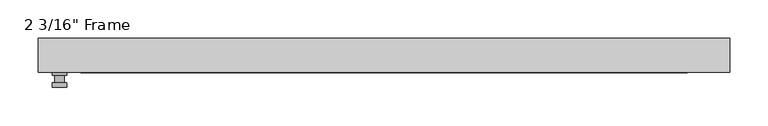
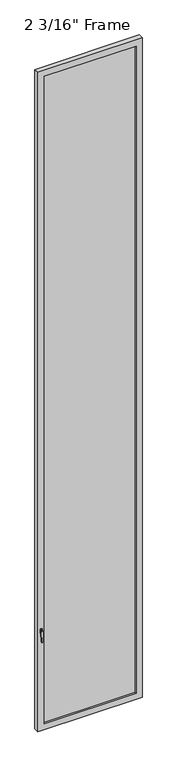
"""IFC4 building model written with IfcOpenShell, lengths in millimetres: plate geometry."""

from ifc_helpers import new_model, si_unit, frame, origin, place, context, project, spatial, polyline, circle_curve, outline, extrude, faceted_brep, source, transform, mapped, element, save
from ifc_brep_helpers import plane_surface, cylinder_surface, advanced_brep


def plate_7c97e8f9(model_context):
    return source(origin(), model_context, "Body", "SolidModel", [
        advanced_brep(
        [(-415.13125, -22.225, 927.1), (-415.13125, -22.225, 901.7), (-434.18125, -22.225, 901.7), (-434.18125, -22.225, 927.1), (-418.30625, -34.925, 914.4), (-431.00625, -34.925, 914.4), (-431.00625, -25.4, 914.4), (-418.30625, -25.4, 914.4), (-415.13125, -34.925, 914.4), (-418.3102856, -34.925, 825.2736467), (-431.0022144, -34.925, 825.2736467), (-434.18125, -34.925, 914.4), (-415.13125, -41.275, 914.4), (-434.18125, -41.275, 914.4), (-431.0022144, -41.275, 825.2736467), (-418.3102856, -41.275, 825.2736467), (-415.13125, -25.4, 927.1), (-434.18125, -25.4, 927.1), (-434.18125, -25.4, 901.7), (-415.13125, -25.4, 901.7)],
        [
            (0, 1),
            (1, 2, circle_curve(frame((-424.65625, -22.225, 901.7), z_axis=(0.0, 1.0, 0.0), x_axis=(-1.0, 0.0, 0.0)), 9.525)),
            (2, 3),
            (3, 0, circle_curve(frame((-424.65625, -22.225, 927.1), z_axis=(0.0, 1.0, 0.0), x_axis=(-1.0, 0.0, 0.0)), 9.525)),
            (4, 5, circle_curve(frame((-424.65625, -34.925, 914.4), z_axis=(0.0, 1.0, 0.0), x_axis=(-1.0, 0.0, 0.0)), 6.35)),
            (5, 6),
            (6, 7, circle_curve(frame((-424.65625, -25.4, 914.4), z_axis=(0.0, -1.0, 0.0), x_axis=(-1.0, 0.0, 0.0)), 6.35)),
            (7, 4),
            (5, 4, circle_curve(frame((-424.65625, -34.925, 914.4), z_axis=(0.0, 1.0, 0.0), x_axis=(-1.0, 0.0, 0.0)), 6.35)),
            (7, 6, circle_curve(frame((-424.65625, -25.4, 914.4), z_axis=(0.0, -1.0, 0.0), x_axis=(-1.0, 0.0, 0.0)), 6.35)),
            (8, 9),
            (9, 10, circle_curve(frame((-424.65625, -34.925, 825.5), z_axis=(0.0, 1.0, 0.0), x_axis=(-1.0, 0.0, 0.0)), 6.35)),
            (10, 11),
            (11, 8, circle_curve(frame((-424.65625, -34.925, 914.4), z_axis=(0.0, 1.0, 0.0), x_axis=(-1.0, 0.0, 0.0)), 9.525)),
            (12, 13, circle_curve(frame((-424.65625, -41.275, 914.4), z_axis=(0.0, -1.0, 0.0), x_axis=(-1.0, 0.0, 0.0)), 9.525)),
            (13, 14),
            (14, 15, circle_curve(frame((-424.65625, -41.275, 825.5), z_axis=(0.0, -1.0, 0.0), x_axis=(-1.0, 0.0, 0.0)), 6.35)),
            (15, 12),
            (8, 12),
            (15, 9),
            (14, 10),
            (13, 11),
            (16, 17, circle_curve(frame((-424.65625, -25.4, 927.1), z_axis=(0.0, -1.0, 0.0), x_axis=(-1.0, 0.0, 0.0)), 9.525)),
            (17, 18),
            (18, 19, circle_curve(frame((-424.65625, -25.4, 901.7), z_axis=(0.0, -1.0, 0.0), x_axis=(-1.0, 0.0, 0.0)), 9.525)),
            (19, 16),
            (0, 16),
            (19, 1),
            (18, 2),
            (17, 3),
        ],
        [
            plane_surface(frame((-431.00625, -22.225, 914.4), z_axis=(0.0, 1.0, 0.0), x_axis=(0.0, 0.0, 1.0))),
            cylinder_surface(frame((-424.65625, -34.925, 914.4), z_axis=(0.0, 1.0, 0.0), x_axis=(-1.0, 0.0, 0.0)), 6.35),
            plane_surface(frame((-415.13125, -34.925, 914.4), z_axis=(0.0, 1.0000000000000002, 0.0), x_axis=(-0.03564619348186888, 0.0, -0.9993644724975235))),
            plane_surface(frame((-415.13125, -41.275, 914.4), z_axis=(0.0, -1.0000000000000002, 0.0), x_axis=(0.03564619348186888, 0.0, 0.9993644724975235))),
            plane_surface(frame((-415.13125, -34.925, 914.4), z_axis=(0.9993644724975235, 0.0, -0.03564619348186888), x_axis=(0.0, -1.0, 0.0))),
            cylinder_surface(frame((-424.65625, -41.275, 825.5), z_axis=(0.0, 1.0, 0.0), x_axis=(-1.0, 0.0, 0.0)), 6.35),
            plane_surface(frame((-431.0022144, -34.925, 825.2736467), z_axis=(-0.9993644724975228, 0.0, -0.03564619348188612), x_axis=(0.0, -1.0, 0.0))),
            cylinder_surface(frame((-424.65625, -41.275, 914.4), z_axis=(0.0, 1.0, 0.0), x_axis=(-1.0, 0.0, 0.0)), 9.525),
            plane_surface(frame((-415.13125, -25.4, 901.7), z_axis=(0.0, -1.0, 0.0), x_axis=(0.0, 0.0, 1.0))),
            plane_surface(frame((-415.13125, -22.225, 927.1), z_axis=(1.0, 0.0, 0.0), x_axis=(0.0, -1.0, 0.0))),
            cylinder_surface(frame((-424.65625, -25.4, 901.7), z_axis=(0.0, 1.0, 0.0), x_axis=(-1.0, 0.0, 0.0)), 9.525),
            plane_surface(frame((-434.18125, -22.225, 901.7), z_axis=(-1.0, 0.0, 0.0), x_axis=(0.0, -1.0, 0.0))),
            cylinder_surface(frame((-424.65625, -25.4, 927.1), z_axis=(0.0, 1.0, 0.0), x_axis=(-1.0, 0.0, 0.0)), 9.525),
        ],
        [
            (0, [[1, 2, 3, 4]]),
            (1, [[5, 6, 7, 8]]),
            (1, [[9, -8, 10, -6]]),
            (2, [[11, 12, 13, 14], [-5, -9]]),
            (3, [[15, 16, 17, 18]]),
            (4, [[-11, 19, -18, 20]]),
            (5, [[-12, -20, -17, 21]]),
            (6, [[-13, -21, -16, 22]]),
            (7, [[-14, -22, -15, -19]]),
            (8, [[23, 24, 25, 26], [-7, -10]]),
            (9, [[-1, 27, -26, 28]]),
            (10, [[-2, -28, -25, 29]]),
            (11, [[-3, -29, -24, 30]]),
            (12, [[-4, -30, -23, -27]]),
        ],
    ),
        faceted_brep([(-452.4375, -22.225, 0.0), (-452.4375, 22.225, 0.0), (452.4375, 22.225, 0.0), (452.4375, -22.225, 0.0), (-396.875, 22.225, 5975.35), (-396.875, 15.875, 5975.35), (-396.875, 15.875, 55.5625), (-396.875, 22.225, 55.5625), (409.575, 15.875, 5988.05), (-409.575, 15.875, 5988.05), (-409.575, 15.875, 42.8625), (409.575, 15.875, 42.8625), (396.875, 15.875, 5975.35), (396.875, 15.875, 55.5625), (-409.575, -7.9375, 5988.05), (-409.575, -7.9375, 42.8625), (409.575, -7.9375, 5988.05), (409.575, -7.9375, 42.8625), (-396.875, -7.9375, 5975.35), (-396.875, -7.9375, 55.5625), (396.875, -7.9375, 55.5625), (396.875, -7.9375, 5975.35), (-396.875, -22.225, 5975.35), (-396.875, -22.225, 55.5625), (452.4375, -22.225, 6030.9125), (-452.4375, -22.225, 6030.9125), (396.875, -22.225, 5975.35), (396.875, -22.225, 55.5625), (-452.4375, 22.225, 6030.9125), (452.4375, 22.225, 6030.9125), (396.875, 22.225, 55.5625), (396.875, 22.225, 5975.35)], [[[0, 1, 2, 3]], [[4, 5, 6, 7]], [[8, 9, 10, 11], [5, 12, 13, 6]], [[10, 9, 14, 15]], [[14, 16, 17, 15], [18, 19, 20, 21]], [[18, 22, 23, 19]], [[0, 3, 24, 25], [22, 26, 27, 23]], [[1, 0, 25, 28]], [[2, 1, 28, 29], [4, 7, 30, 31]], [[5, 4, 31, 12]], [[9, 8, 16, 14]], [[18, 21, 26, 22]], [[25, 24, 29, 28]], [[12, 31, 30, 13]], [[17, 16, 8, 11]], [[26, 21, 20, 27]], [[24, 3, 2, 29]], [[23, 27, 20, 19]], [[11, 10, 15, 17]], [[6, 13, 30, 7]]]),
        extrude(outline(polyline([(409.575, -7.9375), (-409.575, -7.9375), (-409.575, 15.875), (409.575, 15.875), (409.575, -7.9375)])), frame((0.0, 0.0, 42.8625), z_axis=(0.0, 0.0, 1.0), x_axis=(1.0, 0.0, 0.0)), (0.0, 0.0, 1.0), 5945.1875),
    ])


if __name__ == "__main__":
    model = new_model("IFC4")
    model_context = context("Model", 3, world=origin())
    ifc_project = project(units=[si_unit("LENGTHUNIT", "METRE", prefix="MILLI")], contexts=[model_context])
    site = spatial("IfcSite", under=ifc_project)
    building = spatial("IfcBuilding", under=site)
    placement = place(None, origin())
    plate_shape = plate_7c97e8f9(model_context)
    element("IfcPlate", 1, ObjectType="2 3/16\" Frame", at=placement, inside=building, context=model_context, shape_type="MappedRepresentation", body=[
        mapped(plate_shape, transform((0.0, 0.0, 0.0), x_axis=(1.0, 0.0, 0.0), y_axis=(0.0, 1.0, 0.0), z_axis=(0.0, 0.0, 1.0))),
    ])
    save(model, "model.ifc")
